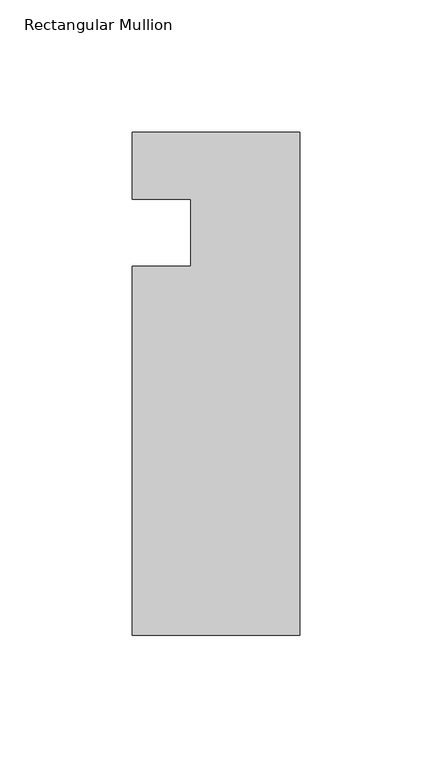
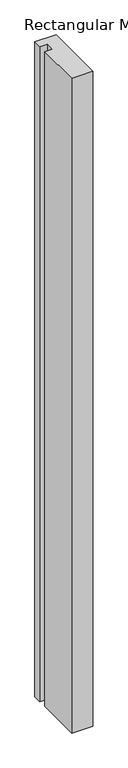
"""IFC4 building model written with IfcOpenShell, lengths in millimetres: member geometry, Rectangular Mullion."""

import ifcopenshell
import ifcopenshell.guid

model = None  # the IFC model being written
_history = None  # IfcOwnerHistory: only IFC2X3 demands one
_inside = {}  # id of a spatial element -> (the spatial element, [elements in it])
_under = {}  # id of a project, library or spatial element -> (it, [spatial elements below it])
_declared = {}  # id of a project -> (the project, [libraries it declares])
_typed = {}  # id of a type object -> (the type object, [elements of that type])
_made_of = {}  # id of a material, layer set ... -> (it, [elements and type objects made of it])


def new_model(schema):
    """Start an empty IFC model of exactly this schema.

    Asked for "IFC4X3", IfcOpenShell would pick the latest addendum, in which some entities
    have other attributes; the version numbers below select the first issue.
    IFC2X3 requires an IfcOwnerHistory on every rooted entity: one is made here for all.
    """
    global model, _history
    if schema == "IFC4X3":
        model = ifcopenshell.file(schema_version=(4, 3, 0, 0))
    else:
        model = ifcopenshell.file(schema=schema)
    _inside.clear()
    _under.clear()
    _declared.clear()
    _typed.clear()
    _made_of.clear()
    _history = None
    if model.schema == "IFC2X3":
        org = make("IfcOrganization", Name="unknown")
        user = make(
            "IfcPersonAndOrganization",
            ThePerson=make("IfcPerson", FamilyName="unknown"),
            TheOrganization=org,
        )
        app = make(
            "IfcApplication",
            ApplicationDeveloper=org,
            Version="unknown",
            ApplicationFullName="unknown",
            ApplicationIdentifier="unknown",
        )
        _history = make(
            "IfcOwnerHistory",
            OwningUser=user,
            OwningApplication=app,
            ChangeAction="ADDED",
            CreationDate=0,
        )
    return model


def make(cls, **values):
    """One entity of the class cls with the attributes given. An attribute that is None is left unset."""
    return model.create_entity(
        cls, **{name: value for name, value in values.items() if value is not None}
    )


def rooted(cls, **values):
    """An entity with a GlobalId (a new one), such as an element, a storey or a relation."""
    return make(cls, GlobalId=ifcopenshell.guid.new(), OwnerHistory=_history, **values)


def si_unit(unit_type, name, prefix=None):
    """IfcSIUnit, for example si_unit("LENGTHUNIT", "METRE", prefix="MILLI")."""
    return make("IfcSIUnit", UnitType=unit_type, Prefix=prefix, Name=name)


def assignment(units):
    """IfcUnitAssignment: the units of a project."""
    return None if units is None else make("IfcUnitAssignment", Units=units)


def point(xyz):
    """IfcCartesianPoint."""
    return None if xyz is None else make("IfcCartesianPoint", Coordinates=xyz)


def direction(xyz):
    """IfcDirection."""
    return None if xyz is None else make("IfcDirection", DirectionRatios=xyz)


def frame(location, z_axis=None, x_axis=None):
    """IfcAxis2Placement3D, a coordinate frame: its origin and axes. An axis left out is left unset."""
    return make(
        "IfcAxis2Placement3D",
        Location=point(location),
        Axis=direction(z_axis),
        RefDirection=direction(x_axis),
    )


def origin():
    """The frame at (0, 0, 0) with its axes left unset."""
    return frame((0.0, 0.0, 0.0))


def place(relative_to, where):
    """IfcLocalPlacement: puts the frame where relative to a parent placement (None: the world)."""
    return make(
        "IfcLocalPlacement", PlacementRelTo=relative_to, RelativePlacement=where
    )


def context(
    kind, dimensions, precision=None, world=None, true_north=None, identifier=None
):
    """IfcGeometricRepresentationContext, for example the 3D "Model" context."""
    return make(
        "IfcGeometricRepresentationContext",
        ContextIdentifier=identifier,
        ContextType=kind,
        CoordinateSpaceDimension=dimensions,
        Precision=precision,
        WorldCoordinateSystem=world,
        TrueNorth=true_north,
    )


def project(units=None, contexts=None):
    """IfcProject with its units and contexts."""
    return rooted(
        "IfcProject",
        Name="project",
        RepresentationContexts=contexts,
        UnitsInContext=assignment(units),
    )


def spatial(cls, under=None, at=None, **own):
    """A site, building, storey or space (cls), placed at a placement, below another one or the project."""
    s = rooted(cls, ObjectPlacement=at, **own)
    if under is not None:
        _under.setdefault(under.id(), (under, []))[1].append(s)
    return s


def polyline(points):
    """IfcPolyline through the points."""
    return make("IfcPolyline", Points=[point(p) for p in points])


def outline(outer, holes=None, kind="AREA"):
    """IfcArbitraryClosedProfileDef: a profile drawn as a closed curve; with holes, ...WithVoids."""
    if holes is None:
        return make("IfcArbitraryClosedProfileDef", ProfileType=kind, OuterCurve=outer)
    return make(
        "IfcArbitraryProfileDefWithVoids",
        ProfileType=kind,
        OuterCurve=outer,
        InnerCurves=holes,
    )


def extrude(swept, where, along, depth):
    """IfcExtrudedAreaSolid: the profile swept, set in the frame where, extruded along a direction by depth."""
    return make(
        "IfcExtrudedAreaSolid",
        SweptArea=swept,
        Position=where,
        ExtrudedDirection=direction(along),
        Depth=depth,
    )


def shape(context_of_items, identifier, shape_type, items):
    """IfcShapeRepresentation: the items that make up one representation, for example the "Body"."""
    return make(
        "IfcShapeRepresentation",
        ContextOfItems=context_of_items,
        RepresentationIdentifier=identifier,
        RepresentationType=shape_type,
        Items=items,
    )


def source(mapping_origin, context_of_items, identifier, shape_type, items):
    """IfcRepresentationMap: a shape defined once, which mapped items show again and again."""
    return make(
        "IfcRepresentationMap",
        MappingOrigin=mapping_origin,
        MappedRepresentation=shape(context_of_items, identifier, shape_type, items),
    )


def transform(
    local_origin,
    x_axis=None,
    y_axis=None,
    z_axis=None,
    scale=None,
    scale2=None,
    scale3=None,
    uniform=True,
):
    """IfcCartesianTransformationOperator3D, or its non-uniform kind. x_axis, y_axis, z_axis: its Axis1, 2, 3."""
    if uniform:
        return make(
            "IfcCartesianTransformationOperator3D",
            Axis1=direction(x_axis),
            Axis2=direction(y_axis),
            LocalOrigin=point(local_origin),
            Scale=scale,
            Axis3=direction(z_axis),
        )
    return make(
        "IfcCartesianTransformationOperator3DnonUniform",
        Axis1=direction(x_axis),
        Axis2=direction(y_axis),
        LocalOrigin=point(local_origin),
        Scale=scale,
        Axis3=direction(z_axis),
        Scale2=scale2,
        Scale3=scale3,
    )


def mapped(mapping_source, mapping_target):
    """IfcMappedItem: shows the shape of a source again, moved by a transform."""
    return make(
        "IfcMappedItem", MappingSource=mapping_source, MappingTarget=mapping_target
    )


def made_of(thing, what):
    """Note that an element or type object is made of a material, layer set ...; save() writes the relation."""
    if what is not None:
        _made_of.setdefault(what.id(), (what, []))[1].append(thing)
    return thing


def element(
    cls,
    number,
    at=None,
    inside=None,
    cuts=None,
    type_object=None,
    material=None,
    context=None,
    identifier="Body",
    shape_type=None,
    held_by="IfcProductDefinitionShape",
    body=None,
    shapes=None,
    **own,
):
    """One element of the class cls, such as IfcWall. Its Tag is "e" and its number.

    at: its placement. inside: the storey or other place that contains it. cuts: it is an
    opening in that element (IfcRelVoidsElement). A single representation is given by context,
    identifier, shape_type and body (its items); several are given by shapes. held_by: the class
    of the entity that holds the representations. save() writes the other relations.
    """
    e = rooted(cls, Tag="e%d" % number, ObjectPlacement=at, **own)
    if body is not None:
        shapes = [shape(context, identifier, shape_type, body)]
    if shapes is not None:
        e.Representation = make(held_by, Representations=shapes)
    if inside is not None:
        _inside.setdefault(inside.id(), (inside, []))[1].append(e)
    if cuts is not None:
        rooted(
            "IfcRelVoidsElement", RelatingBuildingElement=cuts, RelatedOpeningElement=e
        )
    if type_object is not None:
        _typed.setdefault(type_object.id(), (type_object, []))[1].append(e)
    return made_of(e, material)


def aggregate(whole, parts):
    """IfcRelAggregates: a whole, such as a stair, and the parts it consists of."""
    return rooted("IfcRelAggregates", RelatingObject=whole, RelatedObjects=parts)


def save(model, path):
    """Write the relations noted so far, then the file.

    IfcRelAggregates (storeys below a building ...), IfcRelContainedInSpatialStructure (elements
    in a storey), IfcRelDefinesByType, IfcRelAssociatesMaterial and IfcRelDeclares: one each for
    every whole, place, type object, material and project.
    """
    for whole, parts in _under.values():
        aggregate(whole, parts)
    for where, things in _inside.values():
        rooted(
            "IfcRelContainedInSpatialStructure",
            RelatedElements=things,
            RelatingStructure=where,
        )
    for kind, things in _typed.values():
        rooted("IfcRelDefinesByType", RelatedObjects=things, RelatingType=kind)
    for what, things in _made_of.values():
        rooted("IfcRelAssociatesMaterial", RelatedObjects=things, RelatingMaterial=what)
    for by, libraries in _declared.values():
        rooted("IfcRelDeclares", RelatingContext=by, RelatedDefinitions=libraries)
    model.write(path)


def rectangular_mullion_c8d8cfad(model_context):
    return source(origin(), model_context, "Body", "SweptSolid", [
        extrude(outline(polyline([(0.0, -152.399995), (-63.5, -152.399995), (-63.5, -12.7), (-41.2751132, -12.7), (-41.2751132, 12.7), (-63.5, 12.7), (-63.5, 38.1), (0.0, 38.1), (0.0, -152.399995)])), frame((0.0, 0.0, -2075.4930277), z_axis=(0.0, 0.0, 1.0), x_axis=(1.0, 0.0, 0.0)), (0.0, 0.0, 1.0), 2075.4930277),
    ])


if __name__ == "__main__":
    model = new_model("IFC4")
    model_context = context("Model", 3, world=origin())
    ifc_project = project(units=[si_unit("LENGTHUNIT", "METRE", prefix="MILLI")], contexts=[model_context])
    site = spatial("IfcSite", under=ifc_project)
    building = spatial("IfcBuilding", under=site)
    placement = place(None, origin())
    rectangular_mullion_shape = rectangular_mullion_c8d8cfad(model_context)
    element("IfcMember", 1, ObjectType="Rectangular Mullion", at=placement, inside=building, context=model_context, shape_type="MappedRepresentation", body=[
        mapped(rectangular_mullion_shape, transform((0.0, 0.0, 0.0), x_axis=(1.0, 0.0, 0.0), y_axis=(0.0, 1.0, 0.0), z_axis=(0.0, 0.0, 1.0))),
    ])
    save(model, "model.ifc")
